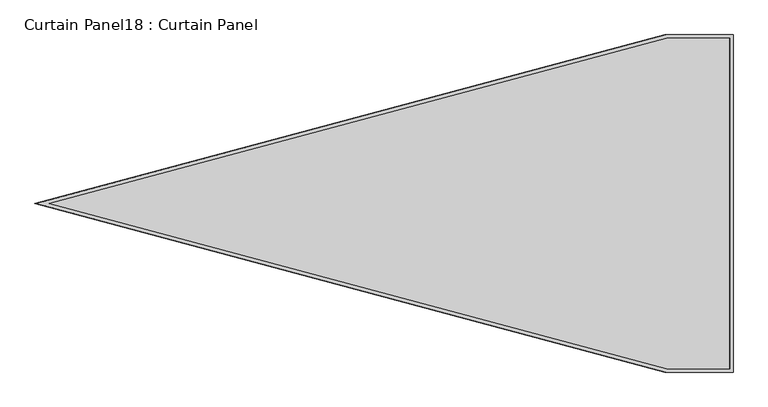
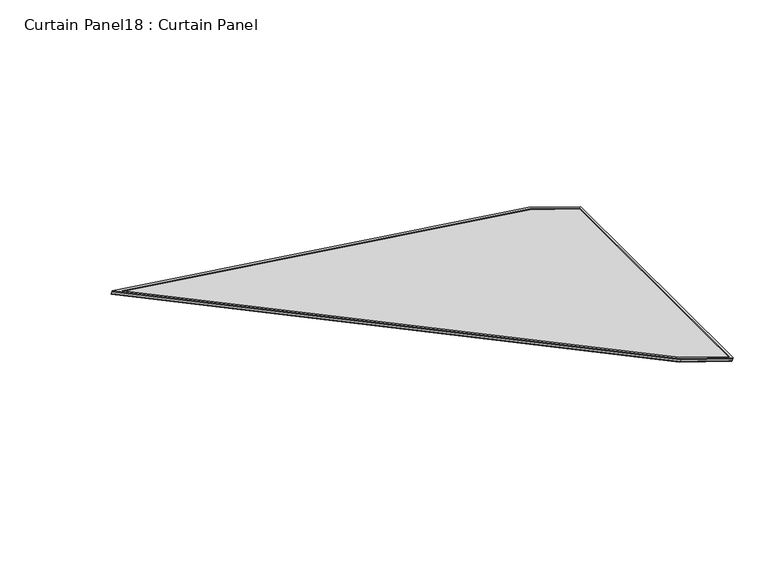
"""IFC4 building model written with IfcOpenShell, lengths in millimetres: plate geometry, Curtain Panel18 : Curtain Panel."""

from ifc_helpers import new_model, si_unit, frame, origin, place, context, project, spatial, polyline, outline, extrude, source, transform, mapped, element, save


def curtain_panel18_curtain_panel_26645b99(model_context):
    return source(origin(), model_context, "Body", "SweptSolid", [
        extrude(outline(polyline([(847.4085785, -3686.7735047), (0.0, -353.2260112), (0.0, 0.0), (1694.8442516, 0.0), (1694.8442516, -353.1194261), (847.4085785, -3686.7735047)]), holes=[polyline([(1684.5314537, -10.3127979), (10.3127978, -10.3127979), (10.3127978, -351.9357407), (847.4085785, -3644.9146085), (1684.5314537, -351.8291556), (1684.5314537, -10.3127979)])]), frame((15840.7999055, 2183.8086718, 1913.5150822), z_axis=(0.3161458239738061, 0.0, 0.9487106081329139), x_axis=(0.0, -1.0, 0.0)), (0.0, 0.0, 1.0), 4.8889473),
        extrude(outline(polyline([(847.4085785, -3686.7735047), (0.0, -353.2260112), (0.0, 0.0), (1694.8442516, 0.0), (1694.8442516, -353.1194262), (847.4085785, -3686.7735047)]), holes=[polyline([(1678.1814537, -16.6627979), (16.6627978, -16.6627979), (16.6627978, -351.1412699), (847.4085785, -3619.1404204), (1678.1814537, -351.0346848), (1678.1814537, -16.6627979)])]), frame((15846.3878249, 2183.8086718, 1930.283668), z_axis=(0.31614582397380603, 0.0, 0.9487106081329139), x_axis=(0.0, -1.0, 0.0)), (0.0, 0.0, 1.0), 4.7836228),
        extrude(outline(polyline([(12.7, 0.0), (1707.5442516, 0.0), (1707.5442516, -353.1194261), (860.1085785, -3686.7735047), (12.7, -353.2260112), (12.7, 0.0)])), frame((15842.3455257, 2196.5086718, 1918.1532783), z_axis=(0.3161458239738058, 0.0, 0.948710608132914), x_axis=(0.0, -1.0, 0.0)), (0.0, 0.0, 1.0), 12.7861854),
    ])


if __name__ == "__main__":
    model = new_model("IFC4")
    model_context = context("Model", 3, world=origin())
    ifc_project = project(units=[si_unit("LENGTHUNIT", "METRE", prefix="MILLI")], contexts=[model_context])
    site = spatial("IfcSite", under=ifc_project)
    building = spatial("IfcBuilding", under=site)
    placement = place(None, origin())
    curtain_panel18_curtain_panel_shape = curtain_panel18_curtain_panel_26645b99(model_context)
    element("IfcPlate", 1, ObjectType="Curtain Panel18 : Curtain Panel", at=placement, inside=building, context=model_context, shape_type="MappedRepresentation", body=[
        mapped(curtain_panel18_curtain_panel_shape, transform((0.0, 0.0, 0.0), x_axis=(1.0, 0.0, 0.0), y_axis=(0.0, 1.0, 0.0), z_axis=(0.0, 0.0, 1.0))),
    ])
    save(model, "model.ifc")
